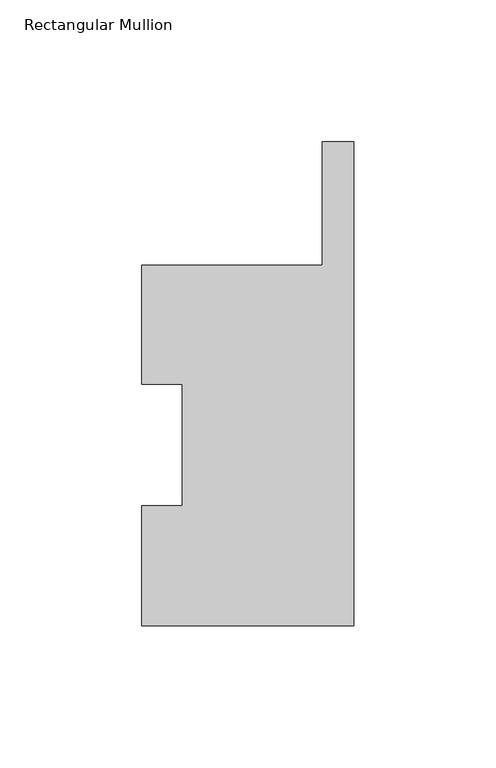
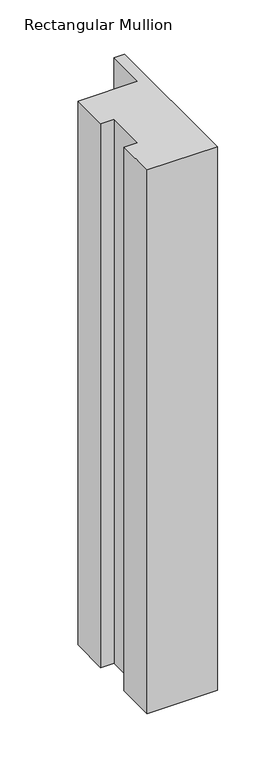
"""IFC4 building model written with IfcOpenShell, lengths in millimetres: member geometry, Rectangular Mullion."""

from ifc_helpers import new_model, si_unit, frame, origin, place, context, project, spatial, polyline, outline, extrude, source, transform, mapped, element, save


def rectangular_mullion_e7dc5476(model_context):
    return source(origin(), model_context, "Body", "SweptSolid", [
        extrude(outline(polyline([(-74.6261587, -0.0111125), (-74.6261587, 42.2798875), (-60.3411987, 42.2798875), (-60.3411987, 85.1296875), (-74.6261587, 85.1296875), (-74.6261587, 126.9888875), (-11.1272439, 126.9888875), (-11.1272439, 170.4255221), (0.0, 170.4255221), (0.0, -0.0111125), (-74.6261587, -0.0111125)])), frame((0.0, 0.0, -609.6), z_axis=(0.0, 0.0, 1.0), x_axis=(1.0, 0.0, 0.0)), (0.0, 0.0, 1.0), 609.6),
    ])


if __name__ == "__main__":
    model = new_model("IFC4")
    model_context = context("Model", 3, world=origin())
    ifc_project = project(units=[si_unit("LENGTHUNIT", "METRE", prefix="MILLI")], contexts=[model_context])
    site = spatial("IfcSite", under=ifc_project)
    building = spatial("IfcBuilding", under=site)
    placement = place(None, origin())
    rectangular_mullion_shape = rectangular_mullion_e7dc5476(model_context)
    element("IfcMember", 1, ObjectType="Rectangular Mullion", at=placement, inside=building, context=model_context, shape_type="MappedRepresentation", body=[
        mapped(rectangular_mullion_shape, transform((0.0, 0.0, 0.0), x_axis=(1.0, 0.0, 0.0), y_axis=(0.0, 1.0, 0.0), z_axis=(0.0, 0.0, 1.0))),
    ])
    save(model, "model.ifc")
